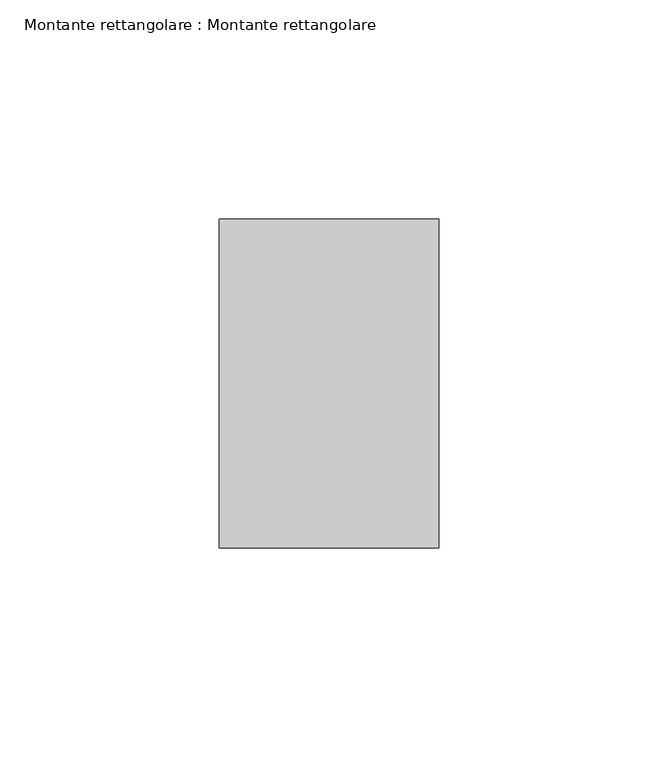
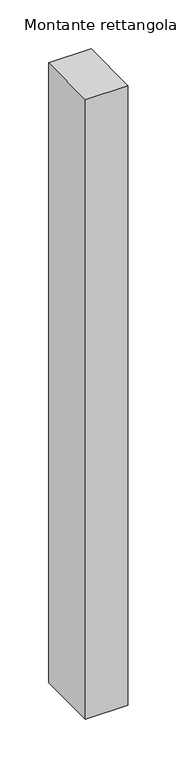
"""IFC4 building model written with IfcOpenShell, lengths in millimetres: member geometry, Montante rettangolare : Montante rettangolare."""

from ifc_helpers import new_model, si_unit, frame, origin, place, context, project, spatial, polyline, outline, extrude, source, transform, mapped, element, save


def montante_rettangolare_montante_rettangolare_f88f37d5(model_context):
    return source(origin(), model_context, "Body", "SweptSolid", [
        extrude(outline(polyline([(-37.5, -0.206222), (37.5, 0.2054687), (37.5, -774.9995178), (-37.5, -774.9995178), (-37.5, -0.206222)])), frame((-50.0, 0.0, 0.0), z_axis=(1.0, 0.0, 0.0), x_axis=(0.0, 1.0, 0.0)), (0.0, 0.0, 1.0), 50.0),
    ])


if __name__ == "__main__":
    model = new_model("IFC4")
    model_context = context("Model", 3, world=origin())
    ifc_project = project(units=[si_unit("LENGTHUNIT", "METRE", prefix="MILLI")], contexts=[model_context])
    site = spatial("IfcSite", under=ifc_project)
    building = spatial("IfcBuilding", under=site)
    placement = place(None, origin())
    montante_rettangolare_montante_rettangolare_shape = montante_rettangolare_montante_rettangolare_f88f37d5(model_context)
    element("IfcMember", 1, ObjectType="Montante rettangolare : Montante rettangolare", at=placement, inside=building, context=model_context, shape_type="MappedRepresentation", body=[
        mapped(montante_rettangolare_montante_rettangolare_shape, transform((0.0, 0.0, 0.0), x_axis=(1.0, 0.0, 0.0), y_axis=(0.0, 1.0, 0.0), z_axis=(0.0, 0.0, 1.0))),
    ])
    save(model, "model.ifc")
